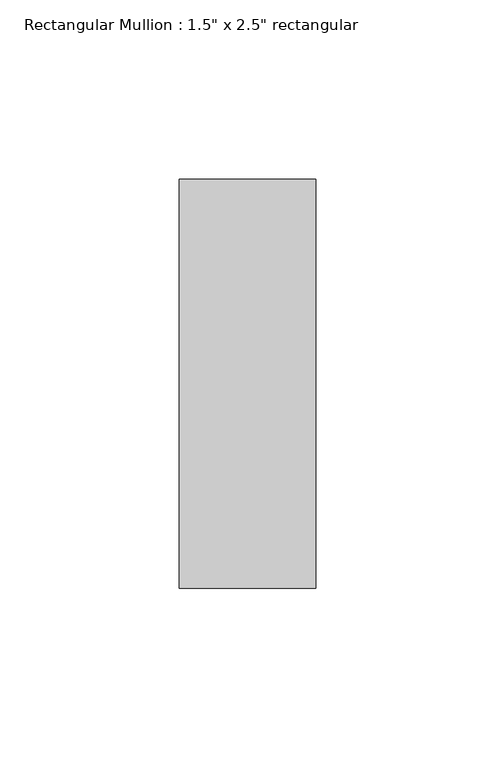
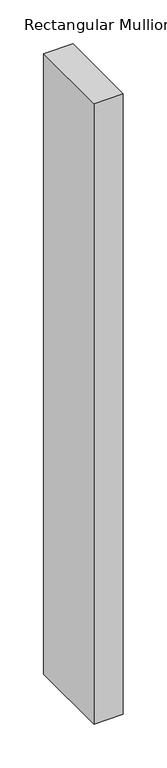
"""IFC4 building model written with IfcOpenShell, lengths in millimetres: member geometry."""

from ifc_helpers import new_model, si_unit, frame, origin, place, context, project, spatial, polyline, outline, extrude, source, transform, mapped, element, save


def member_158e84af(model_context):
    return source(origin(), model_context, "Body", "SweptSolid", [
        extrude(outline(polyline([(19.05, 57.15), (19.05, -57.15), (-19.05, -57.15), (-19.05, 57.15), (19.05, 57.15)])), frame((0.0, 0.0, -861.1669147), z_axis=(0.0, 0.0, 1.0), x_axis=(1.0, 0.0, 0.0)), (0.0, 0.0, 1.0), 861.1669147),
    ])


if __name__ == "__main__":
    model = new_model("IFC4")
    model_context = context("Model", 3, world=origin())
    ifc_project = project(units=[si_unit("LENGTHUNIT", "METRE", prefix="MILLI")], contexts=[model_context])
    site = spatial("IfcSite", under=ifc_project)
    building = spatial("IfcBuilding", under=site)
    placement = place(None, origin())
    member_shape = member_158e84af(model_context)
    element("IfcMember", 1, ObjectType="Rectangular Mullion : 1.5\" x 2.5\" rectangular", at=placement, inside=building, context=model_context, shape_type="MappedRepresentation", body=[
        mapped(member_shape, transform((0.0, 0.0, 0.0), x_axis=(1.0, 0.0, 0.0), y_axis=(0.0, 1.0, 0.0), z_axis=(0.0, 0.0, 1.0))),
    ])
    save(model, "model.ifc")
